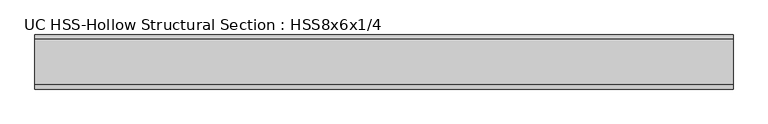
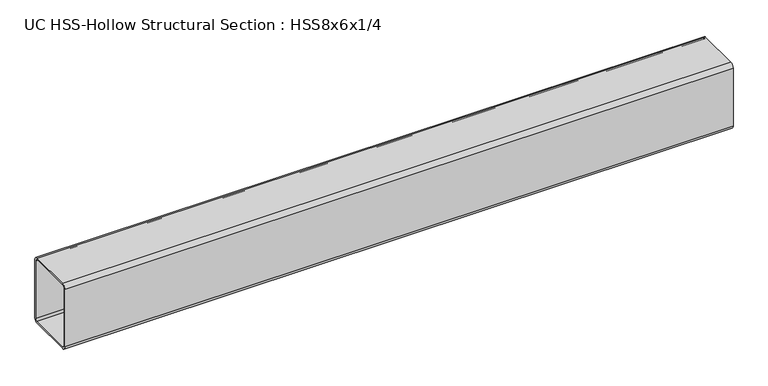
"""IFC4 building model written with IfcOpenShell, lengths in millimetres: beam geometry, UC HSS-Hollow Structural Section : HSS8x6x1/4."""

from ifc_helpers import new_model, si_unit, point, frame, frame_2d, origin, place, context, project, spatial, polyline, circle_curve, trimmed, segment, composite_curve, outline, extrude, source, transform, mapped, element, save


def uc_hss_hollow_structural_section_hss8x6x1_4_3082c84b(model_context):
    return source(origin(), model_context, "Body", "SweptSolid", [
        extrude(outline(composite_curve([segment(trimmed(circle_curve(frame_2d((-64.3636, 89.7636)), 11.8364), [point((-76.2, 89.7636))], [point((-64.3636, 101.6))], False, "CARTESIAN"), True, "CONTINUOUS"), segment(polyline([(-64.3636, 101.6), (64.3636, 101.6)]), True, "CONTINUOUS"), segment(trimmed(circle_curve(frame_2d((64.3636, 89.7636)), 11.8364), [point((64.3636, 101.6))], [point((76.2, 89.7636))], False, "CARTESIAN"), True, "CONTINUOUS"), segment(polyline([(76.2, 89.7636), (76.2, -89.7636)]), True, "CONTINUOUS"), segment(trimmed(circle_curve(frame_2d((64.3636, -89.7636)), 11.8364), [point((76.2, -89.7636))], [point((64.3636, -101.6))], False, "CARTESIAN"), True, "CONTINUOUS"), segment(polyline([(64.3636, -101.6), (-64.3636, -101.6)]), True, "CONTINUOUS"), segment(trimmed(circle_curve(frame_2d((-64.3636, -89.7636)), 11.8364), [point((-64.3636, -101.6))], [point((-76.2, -89.7636))], False, "CARTESIAN"), True, "CONTINUOUS"), segment(polyline([(-76.2, -89.7636), (-76.2, 89.7636)]), True, "CONTINUOUS")], self_intersect=False), holes=[composite_curve([segment(polyline([(64.3636, 95.6818), (-64.3636, 95.6818)]), True, "CONTINUOUS"), segment(trimmed(circle_curve(frame_2d((-64.3636, 89.7636)), 5.9182), [point((-64.3636, 95.6818))], [point((-70.2818, 89.7636))], True, "CARTESIAN"), True, "CONTINUOUS"), segment(polyline([(-70.2818, 89.7636), (-70.2818, -89.7636)]), True, "CONTINUOUS"), segment(trimmed(circle_curve(frame_2d((-64.3636, -89.7636)), 5.9182), [point((-70.2818, -89.7636))], [point((-64.3636, -95.6818))], True, "CARTESIAN"), True, "CONTINUOUS"), segment(polyline([(-64.3636, -95.6818), (64.3636, -95.6818)]), True, "CONTINUOUS"), segment(trimmed(circle_curve(frame_2d((64.3636, -89.7636)), 5.9182), [point((64.3636, -95.6818))], [point((70.2818, -89.7636))], True, "CARTESIAN"), True, "CONTINUOUS"), segment(polyline([(70.2818, -89.7636), (70.2818, 89.7636)]), True, "CONTINUOUS"), segment(trimmed(circle_curve(frame_2d((64.3636, 89.7636)), 5.9182), [point((70.2818, 89.7636))], [point((64.3636, 95.6818))], True, "CARTESIAN"), True, "CONTINUOUS")], self_intersect=False)]), frame((-699.3675911, 0.0, 0.0), z_axis=(1.0, 0.0, 0.0), x_axis=(0.0, 1.0, 0.0)), (0.0, 0.0, 1.0), 1965.4104366),
    ])


if __name__ == "__main__":
    model = new_model("IFC4")
    model_context = context("Model", 3, world=origin())
    ifc_project = project(units=[si_unit("LENGTHUNIT", "METRE", prefix="MILLI")], contexts=[model_context])
    site = spatial("IfcSite", under=ifc_project)
    building = spatial("IfcBuilding", under=site)
    placement = place(None, origin())
    uc_hss_hollow_structural_section_hss8x6x1_4_shape = uc_hss_hollow_structural_section_hss8x6x1_4_3082c84b(model_context)
    element("IfcBeam", 1, ObjectType="UC HSS-Hollow Structural Section : HSS8x6x1/4", at=placement, inside=building, context=model_context, shape_type="MappedRepresentation", body=[
        mapped(uc_hss_hollow_structural_section_hss8x6x1_4_shape, transform((0.0, 0.0, 0.0), x_axis=(1.0, 0.0, 0.0), y_axis=(0.0, 1.0, 0.0), z_axis=(0.0, 0.0, 1.0))),
    ])
    save(model, "model.ifc")
